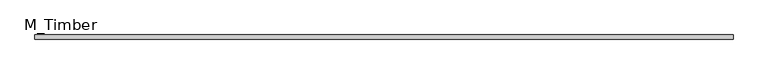
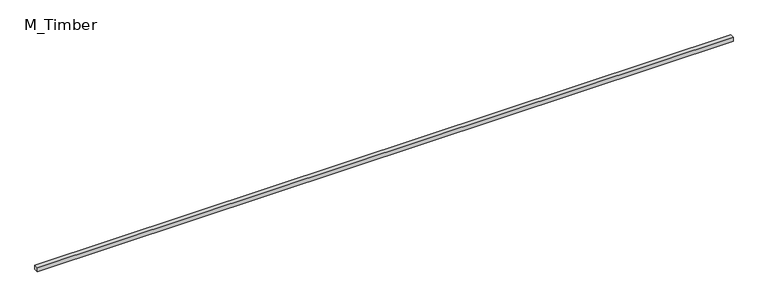
"""IFC4 building model written with IfcOpenShell, lengths in millimetres: beam geometry, M_Timber."""

from ifc_helpers import new_model, si_unit, frame, origin, place, context, project, spatial, polyline, outline, extrude, source, transform, mapped, element, save


def m_timber_846afff8(model_context):
    return source(origin(), model_context, "Body", "SweptSolid", [
        extrude(outline(polyline([(5034.0826911, 30.0), (5034.0826911, -30.0), (-5034.0826911, -30.0), (-5034.0826911, 30.0), (5034.0826911, 30.0)])), frame((0.0, 0.0, -30.0), z_axis=(0.0, 0.0, 1.0), x_axis=(1.0, 0.0, 0.0)), (0.0, 0.0, 1.0), 60.0),
    ])


if __name__ == "__main__":
    model = new_model("IFC4")
    model_context = context("Model", 3, world=origin())
    ifc_project = project(units=[si_unit("LENGTHUNIT", "METRE", prefix="MILLI")], contexts=[model_context])
    site = spatial("IfcSite", under=ifc_project)
    building = spatial("IfcBuilding", under=site)
    placement = place(None, origin())
    m_timber_shape = m_timber_846afff8(model_context)
    element("IfcBeam", 1, ObjectType="M_Timber", at=placement, inside=building, context=model_context, shape_type="MappedRepresentation", body=[
        mapped(m_timber_shape, transform((0.0, 0.0, 0.0), x_axis=(1.0, 0.0, 0.0), y_axis=(0.0, 1.0, 0.0), z_axis=(0.0, 0.0, 1.0))),
    ])
    save(model, "model.ifc")
